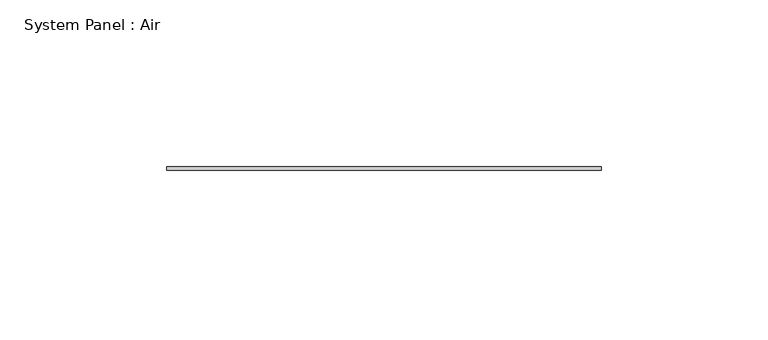
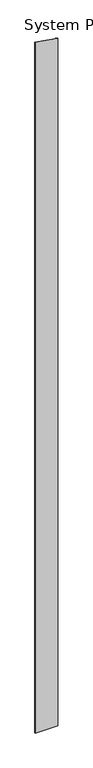
"""IFC4 building model written with IfcOpenShell, lengths in millimetres: plate geometry, System Panel : Air."""

from ifc_helpers import new_model, si_unit, frame, origin, place, context, project, spatial, polyline, outline, extrude, source, transform, mapped, element, save


def system_panel_air_7e8c47d4(model_context):
    return source(origin(), model_context, "Body", "SweptSolid", [
        extrude(outline(polyline([(0.0, -65.0), (0.0, 65.0), (4178.3665703, 65.0), (4197.6199413, -65.0), (0.0, -65.0)])), frame((0.0, 36.5, 0.0), z_axis=(0.0, 1.0, 0.0), x_axis=(0.0, 0.0, 1.0)), (0.0, 0.0, 1.0), 1.0),
    ])


if __name__ == "__main__":
    model = new_model("IFC4")
    model_context = context("Model", 3, world=origin())
    ifc_project = project(units=[si_unit("LENGTHUNIT", "METRE", prefix="MILLI")], contexts=[model_context])
    site = spatial("IfcSite", under=ifc_project)
    building = spatial("IfcBuilding", under=site)
    placement = place(None, origin())
    system_panel_air_shape = system_panel_air_7e8c47d4(model_context)
    element("IfcPlate", 1, ObjectType="System Panel : Air", at=placement, inside=building, context=model_context, shape_type="MappedRepresentation", body=[
        mapped(system_panel_air_shape, transform((0.0, 0.0, 0.0), x_axis=(1.0, 0.0, 0.0), y_axis=(0.0, 1.0, 0.0), z_axis=(0.0, 0.0, 1.0))),
    ])
    save(model, "model.ifc")
